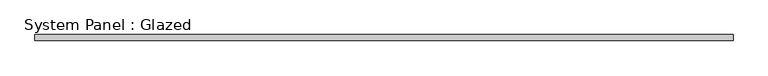
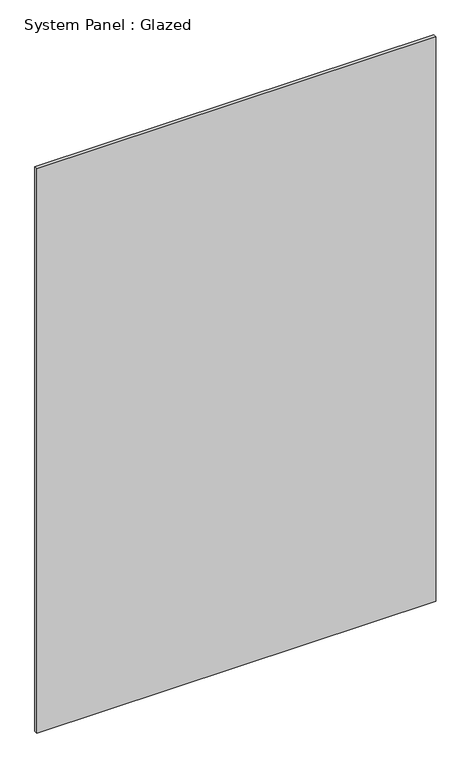
"""IFC4 building model written with IfcOpenShell, lengths in millimetres: plate geometry, System Panel : Glazed."""

from ifc_helpers import new_model, si_unit, origin, origin_with_axes, place, context, project, spatial, polyline, outline, extrude, source, transform, mapped, element, save


def system_panel_glazed_5e3cc3e8(model_context):
    return source(origin(), model_context, "Body", "SweptSolid", [
        extrude(outline(polyline([(1473.7153241, 19.05), (-1473.7153241, 19.05), (-1473.7153241, 44.45), (1473.7153241, 44.45), (1473.7153241, 19.05)])), origin_with_axes(), (0.0, 0.0, 1.0), 4407.95),
    ])


if __name__ == "__main__":
    model = new_model("IFC4")
    model_context = context("Model", 3, world=origin())
    ifc_project = project(units=[si_unit("LENGTHUNIT", "METRE", prefix="MILLI")], contexts=[model_context])
    site = spatial("IfcSite", under=ifc_project)
    building = spatial("IfcBuilding", under=site)
    placement = place(None, origin())
    system_panel_glazed_shape = system_panel_glazed_5e3cc3e8(model_context)
    element("IfcPlate", 1, ObjectType="System Panel : Glazed", at=placement, inside=building, context=model_context, shape_type="MappedRepresentation", body=[
        mapped(system_panel_glazed_shape, transform((0.0, 0.0, 0.0), x_axis=(1.0, 0.0, 0.0), y_axis=(0.0, 1.0, 0.0), z_axis=(0.0, 0.0, 1.0))),
    ])
    save(model, "model.ifc")
